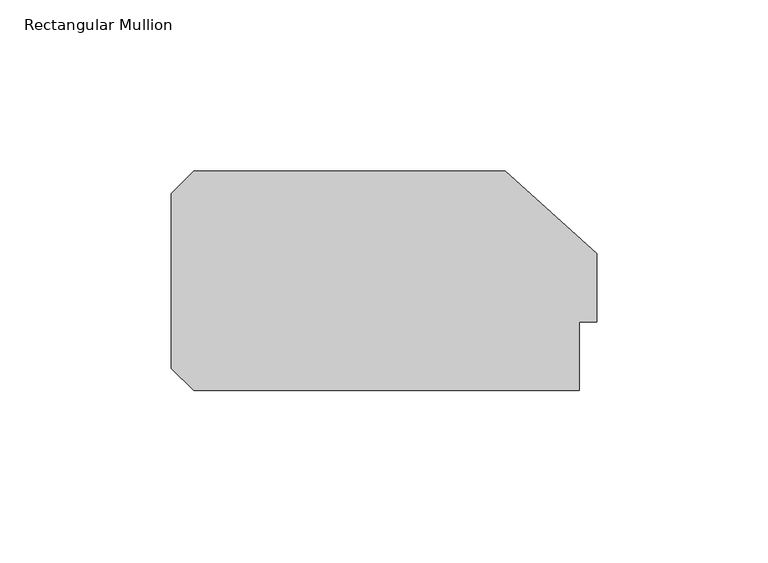
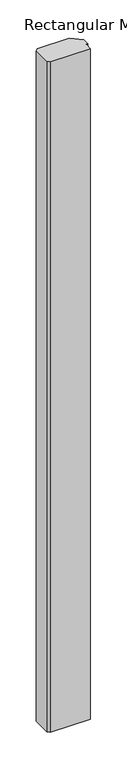
"""IFC4 building model written with IfcOpenShell, lengths in millimetres: member geometry, Rectangular Mullion."""

from ifc_helpers import new_model, si_unit, frame, origin, place, context, project, spatial, polyline, outline, extrude, source, transform, mapped, element, save


def rectangular_mullion_b510f120(model_context):
    return source(origin(), model_context, "Body", "SweptSolid", [
        extrude(outline(polyline([(-5.0, 20.0), (-5.0, 0.0), (-117.5, 0.0), (-124.0, 6.5), (-124.0, 57.5), (-117.5, 64.0), (-26.6547004, 64.0), (0.0, 40.0), (0.0, 20.0), (-5.0, 20.0)])), frame((0.0, 0.0, -1999.9999998), z_axis=(0.0, 0.0, 1.0), x_axis=(1.0, 0.0, 0.0)), (0.0, 0.0, 1.0), 1999.9999998),
    ])


if __name__ == "__main__":
    model = new_model("IFC4")
    model_context = context("Model", 3, world=origin())
    ifc_project = project(units=[si_unit("LENGTHUNIT", "METRE", prefix="MILLI")], contexts=[model_context])
    site = spatial("IfcSite", under=ifc_project)
    building = spatial("IfcBuilding", under=site)
    placement = place(None, origin())
    rectangular_mullion_shape = rectangular_mullion_b510f120(model_context)
    element("IfcMember", 1, ObjectType="Rectangular Mullion", at=placement, inside=building, context=model_context, shape_type="MappedRepresentation", body=[
        mapped(rectangular_mullion_shape, transform((0.0, 0.0, 0.0), x_axis=(1.0, 0.0, 0.0), y_axis=(0.0, 1.0, 0.0), z_axis=(0.0, 0.0, 1.0))),
    ])
    save(model, "model.ifc")
